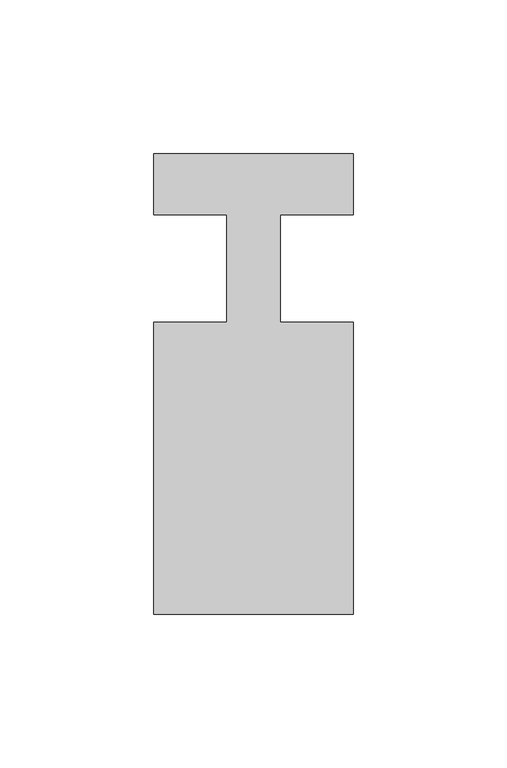
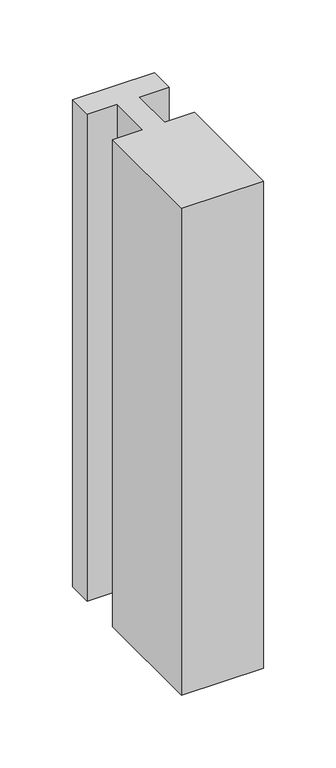
"""IFC4 building model written with IfcOpenShell, lengths in millimetres: member geometry."""

from ifc_helpers import new_model, si_unit, frame, origin, place, context, project, spatial, polyline, outline, extrude, source, transform, mapped, element, save


def member_13b45f0f(model_context):
    return source(origin(), model_context, "Body", "SweptSolid", [
        extrude(outline(polyline([(-32.5, 37.0), (32.5, 37.0), (32.5, 17.0), (8.6875, 17.0), (8.6875, -18.0), (32.5, -18.0), (32.5, -113.0), (-32.5, -113.0), (-32.5, -18.0), (-8.6875, -18.0), (-8.6875, 17.0), (-32.5, 17.0), (-32.5, 37.0)])), frame((0.0, 0.0, -408.8125), z_axis=(0.0, 0.0, 1.0), x_axis=(1.0, 0.0, 0.0)), (0.0, 0.0, 1.0), 408.8125),
    ])


if __name__ == "__main__":
    model = new_model("IFC4")
    model_context = context("Model", 3, world=origin())
    ifc_project = project(units=[si_unit("LENGTHUNIT", "METRE", prefix="MILLI")], contexts=[model_context])
    site = spatial("IfcSite", under=ifc_project)
    building = spatial("IfcBuilding", under=site)
    placement = place(None, origin())
    member_shape = member_13b45f0f(model_context)
    element("IfcMember", 1, at=placement, inside=building, context=model_context, shape_type="MappedRepresentation", body=[
        mapped(member_shape, transform((0.0, 0.0, 0.0), x_axis=(1.0, 0.0, 0.0), y_axis=(0.0, 1.0, 0.0), z_axis=(0.0, 0.0, 1.0))),
    ])
    save(model, "model.ifc")
